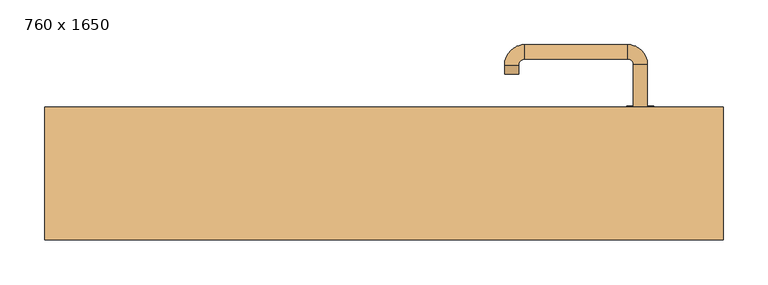
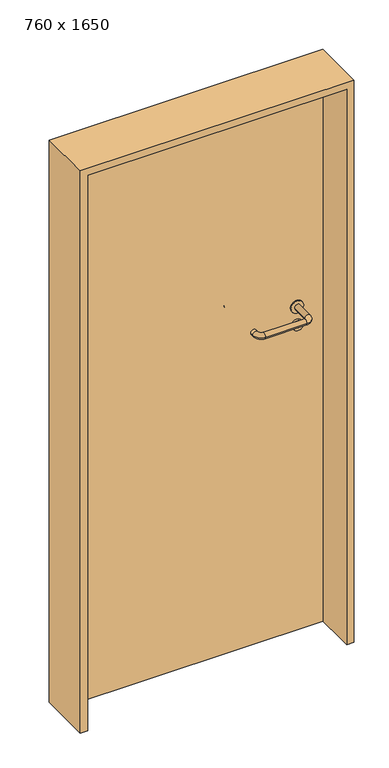
"""IFC4 building model written with IfcOpenShell, lengths in millimetres: door geometry, 760 x 1650."""

from ifc_helpers import new_model, si_unit, point, frame, frame_2d, origin, origin_with_axes, place, context, project, spatial, polyline, circle_curve, ellipse_curve, trimmed, segment, composite_curve, outline, extrude, source, transform, mapped, element, save
from ifc_brep_helpers import plane_surface, cylinder_surface, revolved_surface, advanced_brep


def door_760_x_1650_6d905cc9(model_context):
    return source(origin(), model_context, "Body", "SolidModel", [
        extrude(outline(composite_curve([segment(trimmed(circle_curve(frame_2d((897.3605726, 287.0)), 15.0), [point((897.3605726, 302.0))], [point((897.3605726, 272.0))], False, "CARTESIAN"), True, "CONTINUOUS"), segment(trimmed(circle_curve(frame_2d((897.3605726, 287.0)), 15.0), [point((897.3605726, 272.0))], [point((897.3605726, 302.0))], False, "CARTESIAN"), True, "CONTINUOUS")], self_intersect=False), holes=[composite_curve([segment(trimmed(circle_curve(frame_2d((892.5833211, 286.9398032)), 2.0), [point((892.5833211, 288.9398032))], [point((892.5833211, 284.9398032))], True, "CARTESIAN"), True, "CONTINUOUS"), segment(polyline([(892.5833211, 284.9398032), (902.5833211, 284.9398032)]), True, "CONTINUOUS"), segment(trimmed(circle_curve(frame_2d((902.5833211, 286.9398032)), 2.0), [point((902.5833211, 284.9398032))], [point((902.5833211, 288.9398032))], True, "CARTESIAN"), True, "CONTINUOUS"), segment(polyline([(902.5833211, 288.9398032), (892.5833211, 288.9398032)]), True, "CONTINUOUS")], self_intersect=False)]), frame((0.0, 33.65, 0.0), z_axis=(0.0, 1.0, 0.0), x_axis=(0.0, 0.0, 1.0)), (0.0, 0.0, 1.0), 6.35),
        extrude(outline(composite_curve([segment(trimmed(circle_curve(frame_2d((950.0, 287.0)), 17.526), [point((950.0, 304.526))], [point((950.0, 269.474))], False, "CARTESIAN"), True, "CONTINUOUS"), segment(trimmed(circle_curve(frame_2d((950.0, 287.0)), 17.526), [point((950.0, 269.474))], [point((950.0, 304.526))], False, "CARTESIAN"), True, "CONTINUOUS")], self_intersect=False)), frame((0.0, 36.825, 0.0), z_axis=(0.0, 1.0, 0.0), x_axis=(0.0, 0.0, 1.0)), (0.0, 0.0, 1.0), 3.175),
        advanced_brep(
        [(295.0, 40.0, 950.0), (279.0, 40.0, 950.0), (279.0, -13.0, 950.0), (295.0, -13.0, 950.0), (272.8578644, -19.1421356, 950.0), (272.8578644, -35.1421356, 950.0), (157.8578644, -19.1421356, 950.0), (157.8578644, -35.1421356, 950.0), (151.008622, -12.2928932, 950.0), (135.008622, -12.2928932, 950.0), (135.008622, -2.2928932, 950.0), (151.008622, -2.2928932, 950.0)],
        [
            (0, 1, circle_curve(frame((287.0, 40.0, 950.0), z_axis=(0.0, 1.0, 0.0), x_axis=(-1.0, 0.0, 0.0)), 8.0)),
            (1, 0, circle_curve(frame((287.0, 40.0, 950.0), z_axis=(0.0, 1.0, 0.0), x_axis=(-1.0, 0.0, 0.0)), 8.0)),
            (1, 2),
            (2, 3, circle_curve(frame((287.0, -13.0, 950.0), z_axis=(0.0, 1.0, 0.0), x_axis=(-1.0, 0.0, 0.0)), 8.0)),
            (3, 0),
            (3, 2, circle_curve(frame((287.0, -13.0, 950.0), z_axis=(0.0, 1.0, 0.0), x_axis=(-1.0, 0.0, 0.0)), 8.0)),
            (4, 5, circle_curve(frame((272.8578644, -27.1421356, 950.0), z_axis=(1.0, 0.0, 0.0), x_axis=(0.0, 1.0, 0.0)), 8.0)),
            (5, 3, circle_curve(frame((272.8578644, -13.0, 950.0), z_axis=(0.0, 0.0, 1.0), x_axis=(1.0, 0.0, 0.0)), 22.1421356)),
            (2, 4, circle_curve(frame((272.8578644, -13.0, 950.0), z_axis=(0.0, 0.0, -1.0), x_axis=(1.0, 0.0, 0.0)), 6.1421356)),
            (5, 4, circle_curve(frame((272.8578644, -27.1421356, 950.0), z_axis=(1.0, 0.0, 0.0), x_axis=(0.0, 1.0, 0.0)), 8.0)),
            (4, 6),
            (6, 7, circle_curve(frame((157.8578644, -27.1421356, 950.0), z_axis=(1.0, 0.0, 0.0), x_axis=(0.0, 1.0, 0.0)), 8.0)),
            (7, 5),
            (7, 6, circle_curve(frame((157.8578644, -27.1421356, 950.0), z_axis=(1.0, 0.0, 0.0), x_axis=(0.0, 1.0, 0.0)), 8.0)),
            (8, 9, circle_curve(frame((143.008622, -12.2928932, 950.0), z_axis=(0.0, -1.0, 0.0), x_axis=(1.0, 0.0, 0.0)), 8.0)),
            (9, 7, circle_curve(frame((157.8578644, -12.2928932, 950.0), z_axis=(0.0, 0.0, 1.0), x_axis=(0.0, -1.0, 0.0)), 22.8492424)),
            (6, 8, circle_curve(frame((157.8578644, -12.2928932, 950.0), z_axis=(0.0, 0.0, -1.0), x_axis=(0.0, -1.0, 0.0)), 6.8492424)),
            (9, 8, circle_curve(frame((143.008622, -12.2928932, 950.0), z_axis=(0.0, -1.0, 0.0), x_axis=(1.0, 0.0, 0.0)), 8.0)),
            (10, 11, circle_curve(frame((143.008622, -2.2928932, 950.0), z_axis=(0.0, 1.0, 0.0), x_axis=(1.0, 0.0, 0.0)), 8.0)),
            (11, 10, circle_curve(frame((143.008622, -2.2928932, 950.0), z_axis=(0.0, 1.0, 0.0), x_axis=(1.0, 0.0, 0.0)), 8.0)),
            (8, 11),
            (10, 9),
        ],
        [
            plane_surface(frame((287.0, 40.0, 0.0), z_axis=(0.0, 1.0, 0.0), x_axis=(0.0, 0.0, 1.0))),
            cylinder_surface(frame((287.0, 40.0, 950.0), z_axis=(0.0, 1.0, 0.0), x_axis=(-1.0, 0.0, 0.0)), 8.0),
            revolved_surface(trimmed(ellipse_curve(frame((287.0, -13.0, 950.0), z_axis=(0.0, -1.0, 0.0), x_axis=(-1.0, 0.0, 0.0)), 8.0, 8.0), [point((295.0, -13.0, 950.0))], [point((279.0, -13.0, 950.0))], True, "CARTESIAN"), (272.8578644, -13.0, 0.0), (0.0, 0.0, 1.0)),
            revolved_surface(trimmed(ellipse_curve(frame((287.0, -13.0, 950.0), z_axis=(0.0, -1.0, 0.0), x_axis=(-1.0, 0.0, 0.0)), 8.0, 8.0), [point((279.0, -13.0, 950.0))], [point((295.0, -13.0, 950.0))], True, "CARTESIAN"), (272.8578644, -13.0, 0.0), (0.0, 0.0, 1.0)),
            cylinder_surface(frame((272.8578644, -27.1421356, 950.0), z_axis=(1.0, 0.0, 0.0), x_axis=(0.0, 1.0, 0.0)), 8.0),
            revolved_surface(trimmed(ellipse_curve(frame((157.8578644, -27.1421356, 950.0), z_axis=(-1.0, 0.0, 0.0), x_axis=(0.0, 1.0, 0.0)), 8.0, 8.0), [point((157.8578644, -35.1421356, 950.0))], [point((157.8578644, -19.1421356, 950.0))], True, "CARTESIAN"), (157.8578644, -12.2928932, 0.0), (0.0, 0.0, 1.0)),
            revolved_surface(trimmed(ellipse_curve(frame((157.8578644, -27.1421356, 950.0), z_axis=(-1.0, 0.0, 0.0), x_axis=(0.0, 1.0, 0.0)), 8.0, 8.0), [point((157.8578644, -19.1421356, 950.0))], [point((157.8578644, -35.1421356, 950.0))], True, "CARTESIAN"), (157.8578644, -12.2928932, 0.0), (0.0, 0.0, 1.0)),
            plane_surface(frame((143.008622, -2.2928932, 0.0), z_axis=(0.0, 1.0, 0.0), x_axis=(0.0, 0.0, 1.0))),
            cylinder_surface(frame((143.008622, -12.2928932, 950.0), z_axis=(0.0, -1.0, 0.0), x_axis=(1.0, 0.0, 0.0)), 8.0),
        ],
        [
            (0, [[1, 2]]),
            (1, [[3, 4, 5, -2]]),
            (1, [[-5, 6, -3, -1]]),
            (2, [[7, 8, -4, 9]]),
            (3, [[10, -9, -6, -8]]),
            (4, [[11, 12, 13, -7]]),
            (4, [[-13, 14, -11, -10]]),
            (5, [[15, 16, -12, 17]]),
            (6, [[18, -17, -14, -16]]),
            (7, [[19, 20]]),
            (8, [[21, -19, 22, -15]]),
            (8, [[-22, -20, -21, -18]]),
        ],
    ),
        extrude(outline(composite_curve([segment(trimmed(circle_curve(frame_2d((0.0, -15.0)), 15.0), [point((0.0, -30.0))], [point((0.0, 0.0))], False, "CARTESIAN"), True, "CONTINUOUS"), segment(trimmed(circle_curve(frame_2d((0.0, -15.0)), 15.0), [point((0.0, 0.0))], [point((0.0, -30.0))], False, "CARTESIAN"), True, "CONTINUOUS")], self_intersect=False), holes=[composite_curve([segment(trimmed(circle_curve(frame_2d((4.7772515, -14.9398032)), 2.0), [point((4.7772515, -16.9398032))], [point((4.7772515, -12.9398032))], True, "CARTESIAN"), True, "CONTINUOUS"), segment(polyline([(4.7772515, -12.9398032), (-5.2227485, -12.9398032)]), True, "CONTINUOUS"), segment(trimmed(circle_curve(frame_2d((-5.2227485, -14.9398032)), 2.0), [point((-5.2227485, -12.9398032))], [point((-5.2227485, -16.9398032))], True, "CARTESIAN"), True, "CONTINUOUS"), segment(polyline([(-5.2227485, -16.9398032), (4.7772515, -16.9398032)]), True, "CONTINUOUS")], self_intersect=False)]), frame((272.0, 70.0, 897.3605726), z_axis=(1.8870575173328306e-12, 1.0, 0.0), x_axis=(0.0, 0.0, -1.0)), (0.0, 0.0, 1.0), 6.35),
        extrude(outline(composite_curve([segment(trimmed(circle_curve(frame_2d((0.0, -17.526)), 17.526), [point((0.0, -35.052))], [point((0.0, 0.0))], False, "CARTESIAN"), True, "CONTINUOUS"), segment(trimmed(circle_curve(frame_2d((0.0, -17.526)), 17.526), [point((0.0, 0.0))], [point((0.0, -35.052))], False, "CARTESIAN"), True, "CONTINUOUS")], self_intersect=False)), frame((269.474, 70.0, 950.0), z_axis=(1.8870575173328306e-12, 1.0, 0.0), x_axis=(0.0, 0.0, -1.0)), (0.0, 0.0, 1.0), 3.175),
        advanced_brep(
        [(295.0, 70.0, 950.0), (279.0, 70.0, 950.0), (295.0, 123.0, 950.0), (279.0, 123.0, 950.0), (272.8578644, 129.1421356, 950.0), (272.8578644, 145.1421356, 950.0), (157.8578644, 145.1421356, 950.0), (157.8578644, 129.1421356, 950.0), (151.008622, 122.2928932, 950.0), (135.008622, 122.2928932, 950.0), (135.008622, 112.2928932, 950.0), (151.008622, 112.2928932, 950.0)],
        [
            (0, 1, circle_curve(frame((287.0, 70.0, 950.0), z_axis=(-1.888672253512351e-12, -1.0, 0.0), x_axis=(-1.0, 1.888672253512351e-12, 0.0)), 8.0)),
            (1, 0, circle_curve(frame((287.0, 70.0, 950.0), z_axis=(-1.888672253512351e-12, -1.0, 0.0), x_axis=(-1.0, 1.888672253512351e-12, 0.0)), 8.0)),
            (0, 2),
            (2, 3, circle_curve(frame((287.0, 123.0, 950.0), z_axis=(-1.888672253512351e-12, -1.0, 0.0), x_axis=(-1.0, 1.888672253512351e-12, 0.0)), 8.0)),
            (3, 1),
            (3, 2, circle_curve(frame((287.0, 123.0, 950.0), z_axis=(-1.888672253512351e-12, -1.0, 0.0), x_axis=(-1.0, 1.888672253512351e-12, 0.0)), 8.0)),
            (4, 3, circle_curve(frame((272.8578644, 123.0, 950.0), z_axis=(0.0, 0.0, -1.0), x_axis=(1.0, -1.880717803715015e-12, 0.0)), 6.1421356)),
            (2, 5, circle_curve(frame((272.8578644, 123.0, 950.0), z_axis=(0.0, 0.0, 1.0), x_axis=(1.0, -1.880717803715015e-12, 0.0)), 22.1421356)),
            (5, 4, circle_curve(frame((272.8578644, 137.1421356, 950.0), z_axis=(1.0, -1.913702061528922e-12, 0.0), x_axis=(-1.913702061528922e-12, -1.0, 0.0)), 8.0)),
            (4, 5, circle_curve(frame((272.8578644, 137.1421356, 950.0), z_axis=(1.0, -1.913702061528922e-12, 0.0), x_axis=(-1.913702061528922e-12, -1.0, 0.0)), 8.0)),
            (5, 6),
            (6, 7, circle_curve(frame((157.8578644, 137.1421356, 950.0), z_axis=(1.0, -1.913719828541269e-12, 0.0), x_axis=(-1.913719828541269e-12, -1.0, 0.0)), 8.0)),
            (7, 4),
            (7, 6, circle_curve(frame((157.8578644, 137.1421356, 950.0), z_axis=(1.0, -1.913719828541269e-12, 0.0), x_axis=(-1.913719828541269e-12, -1.0, 0.0)), 8.0)),
            (8, 7, circle_curve(frame((157.8578644, 122.2928932, 950.0), z_axis=(0.0, 0.0, -1.0), x_axis=(1.9120873253494017e-12, 1.0, 0.0)), 6.8492424)),
            (6, 9, circle_curve(frame((157.8578644, 122.2928932, 950.0), z_axis=(0.0, 0.0, 1.0), x_axis=(1.9120873253494017e-12, 1.0, 0.0)), 22.8492424)),
            (9, 8, circle_curve(frame((143.008622, 122.2928932, 950.0), z_axis=(1.890448610351751e-12, 1.0, 0.0), x_axis=(1.0, -1.890448610351751e-12, 0.0)), 8.0)),
            (8, 9, circle_curve(frame((143.008622, 122.2928932, 950.0), z_axis=(1.8888942981172756e-12, 1.0, 0.0), x_axis=(1.0, -1.8888942981172756e-12, 0.0)), 8.0)),
            (10, 11, circle_curve(frame((143.008622, 112.2928932, 950.0), z_axis=(-1.8903642334018795e-12, -1.0, 0.0), x_axis=(1.0, -1.8903642334018795e-12, 0.0)), 8.0)),
            (11, 10, circle_curve(frame((143.008622, 112.2928932, 950.0), z_axis=(-1.8903642334018795e-12, -1.0, 0.0), x_axis=(1.0, -1.8903642334018795e-12, 0.0)), 8.0)),
            (9, 10),
            (11, 8),
        ],
        [
            plane_surface(frame((287.0, 70.0, 0.0), z_axis=(-1.8870575173328306e-12, -1.0, 0.0), x_axis=(0.0, 0.0, 1.0))),
            cylinder_surface(frame((287.0, 70.0, 950.0), z_axis=(-1.888672253512351e-12, -1.0, 0.0), x_axis=(-1.0, 1.888672253512351e-12, 0.0)), 8.0),
            revolved_surface(trimmed(ellipse_curve(frame((287.0, 123.0, 950.0), z_axis=(-1.8823325398945356e-12, -1.0, 0.0), x_axis=(-1.0, 1.8823325398945356e-12, 0.0)), 8.0, 8.0), [point((295.0, 123.0, 950.0))], [point((279.0, 123.0, 950.0))], True, "CARTESIAN"), (272.8578644, 123.0, 0.0), (0.0, 0.0, 1.0)),
            revolved_surface(trimmed(ellipse_curve(frame((287.0, 123.0, 950.0), z_axis=(-1.8823325398945356e-12, -1.0, 0.0), x_axis=(-1.0, 1.8823325398945356e-12, 0.0)), 8.0, 8.0), [point((279.0, 123.0, 950.0))], [point((295.0, 123.0, 950.0))], True, "CARTESIAN"), (272.8578644, 123.0, 0.0), (0.0, 0.0, 1.0)),
            cylinder_surface(frame((272.8578644, 137.1421356, 950.0), z_axis=(1.0, -1.913719828541269e-12, 0.0), x_axis=(-1.913719828541269e-12, -1.0, 0.0)), 8.0),
            revolved_surface(trimmed(ellipse_curve(frame((157.8578644, 137.1421356, 950.0), z_axis=(1.0, -1.913702061528922e-12, 0.0), x_axis=(-1.913702061528922e-12, -1.0, 0.0)), 8.0, 8.0), [point((157.8578644, 145.1421356, 950.0))], [point((157.8578644, 129.1421356, 950.0))], True, "CARTESIAN"), (157.8578644, 122.2928932, 0.0), (0.0, 0.0, 1.0)),
            revolved_surface(trimmed(ellipse_curve(frame((157.8578644, 137.1421356, 950.0), z_axis=(1.0, -1.913702061528922e-12, 0.0), x_axis=(-1.913702061528922e-12, -1.0, 0.0)), 8.0, 8.0), [point((157.8578644, 129.1421356, 950.0))], [point((157.8578644, 145.1421356, 950.0))], True, "CARTESIAN"), (157.8578644, 122.2928932, 0.0), (0.0, 0.0, 1.0)),
            plane_surface(frame((143.008622, 112.2928932, 0.0), z_axis=(-1.8887494972223595e-12, -1.0, 0.0), x_axis=(0.0, 0.0, 1.0))),
            cylinder_surface(frame((143.008622, 122.2928932, 950.0), z_axis=(1.8903642334018795e-12, 1.0, 0.0), x_axis=(1.0, -1.8903642334018795e-12, 0.0)), 8.0),
        ],
        [
            (0, [[1, 2]]),
            (1, [[-1, 3, 4, 5]]),
            (1, [[-2, -5, 6, -3]]),
            (2, [[7, -4, 8, 9]]),
            (3, [[-8, -6, -7, 10]]),
            (4, [[-9, 11, 12, 13]]),
            (4, [[-10, -13, 14, -11]]),
            (5, [[15, -12, 16, 17]]),
            (6, [[-16, -14, -15, 18]]),
            (7, [[19, 20]]),
            (8, [[-17, 21, -20, 22]]),
            (8, [[-18, -22, -19, -21]]),
        ],
    ),
        extrude(outline(polyline([(1630.0, 360.0), (0.0, 360.0), (0.0, 380.0), (1650.0, 380.0), (1650.0, -380.0), (0.0, -380.0), (0.0, -360.0), (1630.0, -360.0), (1630.0, 360.0)])), frame((0.0, -74.0, 0.0), z_axis=(0.0, 1.0, 0.0), x_axis=(0.0, 0.0, 1.0)), (0.0, 0.0, 1.0), 149.0),
        extrude(outline(polyline([(-360.0, 70.0), (360.0, 70.0), (360.0, 40.0), (-360.0, 40.0), (-360.0, 70.0)])), origin_with_axes(), (0.0, 0.0, 1.0), 1630.0),
    ])


if __name__ == "__main__":
    model = new_model("IFC4")
    model_context = context("Model", 3, world=origin())
    ifc_project = project(units=[si_unit("LENGTHUNIT", "METRE", prefix="MILLI")], contexts=[model_context])
    site = spatial("IfcSite", under=ifc_project)
    building = spatial("IfcBuilding", under=site)
    placement = place(None, origin())
    door_760_x_1650_shape = door_760_x_1650_6d905cc9(model_context)
    element("IfcDoor", 1, ObjectType="760 x 1650", at=placement, inside=building, context=model_context, shape_type="MappedRepresentation", body=[
        mapped(door_760_x_1650_shape, transform((0.0, 0.0, 0.0), x_axis=(1.0, 0.0, 0.0), y_axis=(0.0, 1.0, 0.0), z_axis=(0.0, 0.0, 1.0))),
    ])
    save(model, "model.ifc")
